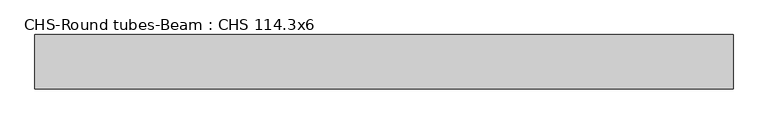
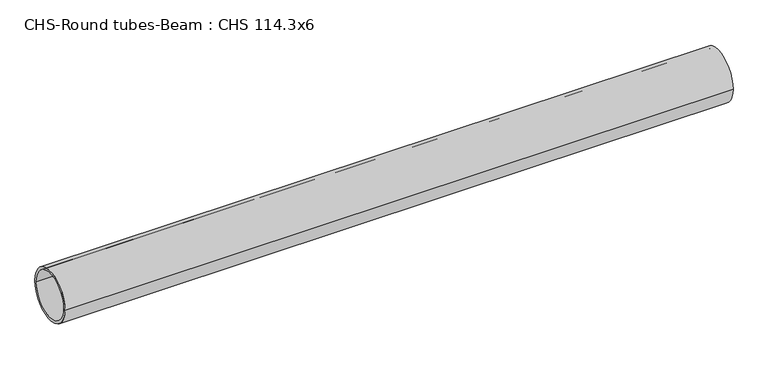
"""IFC4 building model written with IfcOpenShell, lengths in millimetres: beam geometry, CHS-Round tubes-Beam : CHS 114.3x6."""

import ifcopenshell
import ifcopenshell.guid

model = None  # the IFC model being written
_history = None  # IfcOwnerHistory: only IFC2X3 demands one
_inside = {}  # id of a spatial element -> (the spatial element, [elements in it])
_under = {}  # id of a project, library or spatial element -> (it, [spatial elements below it])
_declared = {}  # id of a project -> (the project, [libraries it declares])
_typed = {}  # id of a type object -> (the type object, [elements of that type])
_made_of = {}  # id of a material, layer set ... -> (it, [elements and type objects made of it])


def new_model(schema):
    """Start an empty IFC model of exactly this schema.

    Asked for "IFC4X3", IfcOpenShell would pick the latest addendum, in which some entities
    have other attributes; the version numbers below select the first issue.
    IFC2X3 requires an IfcOwnerHistory on every rooted entity: one is made here for all.
    """
    global model, _history
    if schema == "IFC4X3":
        model = ifcopenshell.file(schema_version=(4, 3, 0, 0))
    else:
        model = ifcopenshell.file(schema=schema)
    _inside.clear()
    _under.clear()
    _declared.clear()
    _typed.clear()
    _made_of.clear()
    _history = None
    if model.schema == "IFC2X3":
        org = make("IfcOrganization", Name="unknown")
        user = make(
            "IfcPersonAndOrganization",
            ThePerson=make("IfcPerson", FamilyName="unknown"),
            TheOrganization=org,
        )
        app = make(
            "IfcApplication",
            ApplicationDeveloper=org,
            Version="unknown",
            ApplicationFullName="unknown",
            ApplicationIdentifier="unknown",
        )
        _history = make(
            "IfcOwnerHistory",
            OwningUser=user,
            OwningApplication=app,
            ChangeAction="ADDED",
            CreationDate=0,
        )
    return model


def make(cls, **values):
    """One entity of the class cls with the attributes given. An attribute that is None is left unset."""
    return model.create_entity(
        cls, **{name: value for name, value in values.items() if value is not None}
    )


def rooted(cls, **values):
    """An entity with a GlobalId (a new one), such as an element, a storey or a relation."""
    return make(cls, GlobalId=ifcopenshell.guid.new(), OwnerHistory=_history, **values)


def si_unit(unit_type, name, prefix=None):
    """IfcSIUnit, for example si_unit("LENGTHUNIT", "METRE", prefix="MILLI")."""
    return make("IfcSIUnit", UnitType=unit_type, Prefix=prefix, Name=name)


def assignment(units):
    """IfcUnitAssignment: the units of a project."""
    return None if units is None else make("IfcUnitAssignment", Units=units)


def point(xyz):
    """IfcCartesianPoint."""
    return None if xyz is None else make("IfcCartesianPoint", Coordinates=xyz)


def direction(xyz):
    """IfcDirection."""
    return None if xyz is None else make("IfcDirection", DirectionRatios=xyz)


def frame(location, z_axis=None, x_axis=None):
    """IfcAxis2Placement3D, a coordinate frame: its origin and axes. An axis left out is left unset."""
    return make(
        "IfcAxis2Placement3D",
        Location=point(location),
        Axis=direction(z_axis),
        RefDirection=direction(x_axis),
    )


def frame_2d(location, x_axis=None):
    """IfcAxis2Placement2D, a coordinate frame in the plane: its origin and x axis."""
    return make(
        "IfcAxis2Placement2D", Location=point(location), RefDirection=direction(x_axis)
    )


def origin():
    """The frame at (0, 0, 0) with its axes left unset."""
    return frame((0.0, 0.0, 0.0))


def origin_2d():
    """The frame at (0, 0) in the plane with its x axis left unset."""
    return frame_2d((0.0, 0.0))


def place(relative_to, where):
    """IfcLocalPlacement: puts the frame where relative to a parent placement (None: the world)."""
    return make(
        "IfcLocalPlacement", PlacementRelTo=relative_to, RelativePlacement=where
    )


def context(
    kind, dimensions, precision=None, world=None, true_north=None, identifier=None
):
    """IfcGeometricRepresentationContext, for example the 3D "Model" context."""
    return make(
        "IfcGeometricRepresentationContext",
        ContextIdentifier=identifier,
        ContextType=kind,
        CoordinateSpaceDimension=dimensions,
        Precision=precision,
        WorldCoordinateSystem=world,
        TrueNorth=true_north,
    )


def project(units=None, contexts=None):
    """IfcProject with its units and contexts."""
    return rooted(
        "IfcProject",
        Name="project",
        RepresentationContexts=contexts,
        UnitsInContext=assignment(units),
    )


def spatial(cls, under=None, at=None, **own):
    """A site, building, storey or space (cls), placed at a placement, below another one or the project."""
    s = rooted(cls, ObjectPlacement=at, **own)
    if under is not None:
        _under.setdefault(under.id(), (under, []))[1].append(s)
    return s


def circle_curve(where, radius):
    """IfcCircle in the frame where."""
    return make("IfcCircle", Position=where, Radius=radius)


def trimmed(basis, trim1, trim2, sense, master):
    """IfcTrimmedCurve: the piece of a basis curve between two trims."""
    return make(
        "IfcTrimmedCurve",
        BasisCurve=basis,
        Trim1=trim1,
        Trim2=trim2,
        SenseAgreement=sense,
        MasterRepresentation=master,
    )


def segment(curve, same_sense, transition):
    """IfcCompositeCurveSegment."""
    return make(
        "IfcCompositeCurveSegment",
        Transition=transition,
        SameSense=same_sense,
        ParentCurve=curve,
    )


def composite_curve(segments, self_intersect=None):
    """IfcCompositeCurve: segments joined end to end."""
    return make("IfcCompositeCurve", Segments=segments, SelfIntersect=self_intersect)


def outline(outer, holes=None, kind="AREA"):
    """IfcArbitraryClosedProfileDef: a profile drawn as a closed curve; with holes, ...WithVoids."""
    if holes is None:
        return make("IfcArbitraryClosedProfileDef", ProfileType=kind, OuterCurve=outer)
    return make(
        "IfcArbitraryProfileDefWithVoids",
        ProfileType=kind,
        OuterCurve=outer,
        InnerCurves=holes,
    )


def extrude(swept, where, along, depth):
    """IfcExtrudedAreaSolid: the profile swept, set in the frame where, extruded along a direction by depth."""
    return make(
        "IfcExtrudedAreaSolid",
        SweptArea=swept,
        Position=where,
        ExtrudedDirection=direction(along),
        Depth=depth,
    )


def shape(context_of_items, identifier, shape_type, items):
    """IfcShapeRepresentation: the items that make up one representation, for example the "Body"."""
    return make(
        "IfcShapeRepresentation",
        ContextOfItems=context_of_items,
        RepresentationIdentifier=identifier,
        RepresentationType=shape_type,
        Items=items,
    )


def source(mapping_origin, context_of_items, identifier, shape_type, items):
    """IfcRepresentationMap: a shape defined once, which mapped items show again and again."""
    return make(
        "IfcRepresentationMap",
        MappingOrigin=mapping_origin,
        MappedRepresentation=shape(context_of_items, identifier, shape_type, items),
    )


def transform(
    local_origin,
    x_axis=None,
    y_axis=None,
    z_axis=None,
    scale=None,
    scale2=None,
    scale3=None,
    uniform=True,
):
    """IfcCartesianTransformationOperator3D, or its non-uniform kind. x_axis, y_axis, z_axis: its Axis1, 2, 3."""
    if uniform:
        return make(
            "IfcCartesianTransformationOperator3D",
            Axis1=direction(x_axis),
            Axis2=direction(y_axis),
            LocalOrigin=point(local_origin),
            Scale=scale,
            Axis3=direction(z_axis),
        )
    return make(
        "IfcCartesianTransformationOperator3DnonUniform",
        Axis1=direction(x_axis),
        Axis2=direction(y_axis),
        LocalOrigin=point(local_origin),
        Scale=scale,
        Axis3=direction(z_axis),
        Scale2=scale2,
        Scale3=scale3,
    )


def mapped(mapping_source, mapping_target):
    """IfcMappedItem: shows the shape of a source again, moved by a transform."""
    return make(
        "IfcMappedItem", MappingSource=mapping_source, MappingTarget=mapping_target
    )


def made_of(thing, what):
    """Note that an element or type object is made of a material, layer set ...; save() writes the relation."""
    if what is not None:
        _made_of.setdefault(what.id(), (what, []))[1].append(thing)
    return thing


def element(
    cls,
    number,
    at=None,
    inside=None,
    cuts=None,
    type_object=None,
    material=None,
    context=None,
    identifier="Body",
    shape_type=None,
    held_by="IfcProductDefinitionShape",
    body=None,
    shapes=None,
    **own,
):
    """One element of the class cls, such as IfcWall. Its Tag is "e" and its number.

    at: its placement. inside: the storey or other place that contains it. cuts: it is an
    opening in that element (IfcRelVoidsElement). A single representation is given by context,
    identifier, shape_type and body (its items); several are given by shapes. held_by: the class
    of the entity that holds the representations. save() writes the other relations.
    """
    e = rooted(cls, Tag="e%d" % number, ObjectPlacement=at, **own)
    if body is not None:
        shapes = [shape(context, identifier, shape_type, body)]
    if shapes is not None:
        e.Representation = make(held_by, Representations=shapes)
    if inside is not None:
        _inside.setdefault(inside.id(), (inside, []))[1].append(e)
    if cuts is not None:
        rooted(
            "IfcRelVoidsElement", RelatingBuildingElement=cuts, RelatedOpeningElement=e
        )
    if type_object is not None:
        _typed.setdefault(type_object.id(), (type_object, []))[1].append(e)
    return made_of(e, material)


def aggregate(whole, parts):
    """IfcRelAggregates: a whole, such as a stair, and the parts it consists of."""
    return rooted("IfcRelAggregates", RelatingObject=whole, RelatedObjects=parts)


def save(model, path):
    """Write the relations noted so far, then the file.

    IfcRelAggregates (storeys below a building ...), IfcRelContainedInSpatialStructure (elements
    in a storey), IfcRelDefinesByType, IfcRelAssociatesMaterial and IfcRelDeclares: one each for
    every whole, place, type object, material and project.
    """
    for whole, parts in _under.values():
        aggregate(whole, parts)
    for where, things in _inside.values():
        rooted(
            "IfcRelContainedInSpatialStructure",
            RelatedElements=things,
            RelatingStructure=where,
        )
    for kind, things in _typed.values():
        rooted("IfcRelDefinesByType", RelatedObjects=things, RelatingType=kind)
    for what, things in _made_of.values():
        rooted("IfcRelAssociatesMaterial", RelatedObjects=things, RelatingMaterial=what)
    for by, libraries in _declared.values():
        rooted("IfcRelDeclares", RelatingContext=by, RelatedDefinitions=libraries)
    model.write(path)


def chs_round_tubes_beam_chs_114_3x6_8c862ee8(model_context):
    return source(origin(), model_context, "Body", "SweptSolid", [
        extrude(outline(composite_curve([segment(trimmed(circle_curve(origin_2d(), 57.15), [point((57.15, 0.0))], [point((-57.15, 0.0))], False, "CARTESIAN"), True, "CONTINUOUS"), segment(trimmed(circle_curve(origin_2d(), 57.15), [point((-57.15, 0.0))], [point((57.15, 0.0))], False, "CARTESIAN"), True, "CONTINUOUS")], self_intersect=False), holes=[composite_curve([segment(trimmed(circle_curve(origin_2d(), 51.15), [point((51.15, 0.0))], [point((-51.15, 0.0))], True, "CARTESIAN"), True, "CONTINUOUS"), segment(trimmed(circle_curve(origin_2d(), 51.15), [point((-51.15, 0.0))], [point((51.15, 0.0))], True, "CARTESIAN"), True, "CONTINUOUS")], self_intersect=False)]), frame((-772.7397142, 0.0, 0.0), z_axis=(1.0, 0.0, 0.0), x_axis=(0.0, 1.0, 0.0)), (0.0, 0.0, 1.0), 1468.6853315),
    ])


if __name__ == "__main__":
    model = new_model("IFC4")
    model_context = context("Model", 3, world=origin())
    ifc_project = project(units=[si_unit("LENGTHUNIT", "METRE", prefix="MILLI")], contexts=[model_context])
    site = spatial("IfcSite", under=ifc_project)
    building = spatial("IfcBuilding", under=site)
    placement = place(None, origin())
    chs_round_tubes_beam_chs_114_3x6_shape = chs_round_tubes_beam_chs_114_3x6_8c862ee8(model_context)
    element("IfcBeam", 1, ObjectType="CHS-Round tubes-Beam : CHS 114.3x6", at=placement, inside=building, context=model_context, shape_type="MappedRepresentation", body=[
        mapped(chs_round_tubes_beam_chs_114_3x6_shape, transform((0.0, 0.0, 0.0), x_axis=(1.0, 0.0, 0.0), y_axis=(0.0, 1.0, 0.0), z_axis=(0.0, 0.0, 1.0))),
    ])
    save(model, "model.ifc")
